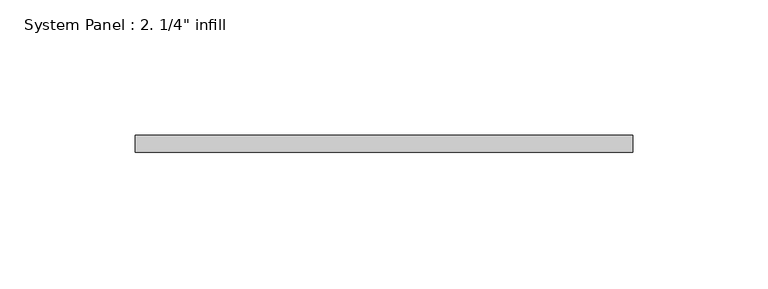
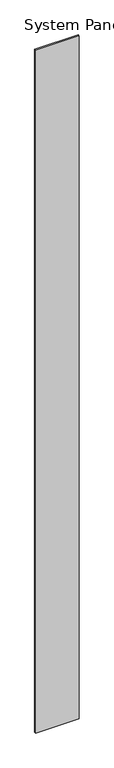
"""IFC4 building model written with IfcOpenShell, lengths in millimetres: plate geometry."""

from ifc_helpers import new_model, si_unit, origin, origin_with_axes, place, context, project, spatial, polyline, outline, extrude, source, transform, mapped, element, save


def plate_1426b831(model_context):
    return source(origin(), model_context, "Body", "SweptSolid", [
        extrude(outline(polyline([(92.075, -6.35), (-92.075, -6.35), (-92.075, 0.0), (92.075, 0.0), (92.075, -6.35)])), origin_with_axes(), (0.0, 0.0, 1.0), 3048.0),
    ])


if __name__ == "__main__":
    model = new_model("IFC4")
    model_context = context("Model", 3, world=origin())
    ifc_project = project(units=[si_unit("LENGTHUNIT", "METRE", prefix="MILLI")], contexts=[model_context])
    site = spatial("IfcSite", under=ifc_project)
    building = spatial("IfcBuilding", under=site)
    placement = place(None, origin())
    plate_shape = plate_1426b831(model_context)
    element("IfcPlate", 1, ObjectType="System Panel : 2. 1/4\" infill", at=placement, inside=building, context=model_context, shape_type="MappedRepresentation", body=[
        mapped(plate_shape, transform((0.0, 0.0, 0.0), x_axis=(1.0, 0.0, 0.0), y_axis=(0.0, 1.0, 0.0), z_axis=(0.0, 0.0, 1.0))),
    ])
    save(model, "model.ifc")
